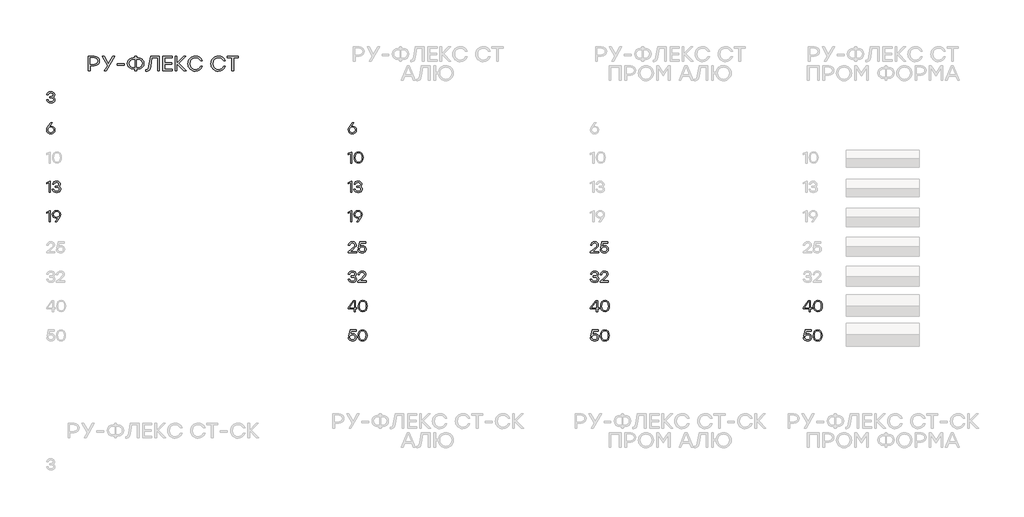
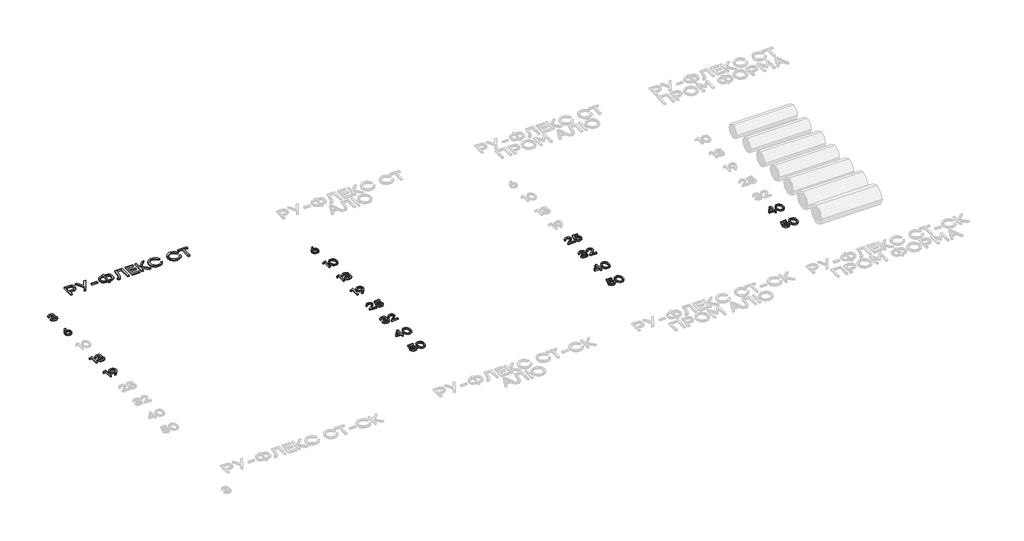
# One storey, part 27 of 41: 19 proxies.
"""IFC4 building model written with IfcOpenShell, lengths in millimetres."""

from ifc_helpers import new_model, si_unit, origin, origin_with_axes, place, context, project, spatial, polyline, outline, extrude, element, save

model = new_model("IFC4")

# Units and contexts
model_context = context("Model", 3, world=origin())
ifc_project = project(units=[si_unit("LENGTHUNIT", "METRE", prefix="MILLI")], contexts=[model_context])

# Site, building, storey
site = spatial("IfcSite", under=ifc_project)
building = spatial("IfcBuilding", under=site)
storey = spatial("IfcBuildingStorey", under=building, Elevation=0.0)

# Proxies
placement = place(None, origin())
element("IfcBuildingElementProxy", 1, Name="Generic Models", at=placement, inside=storey, context=model_context, shape_type="SweptSolid", body=[
    extrude(outline(polyline([(21490.5956427, -28646.0493279), (21510.2621824, -28649.3976823), (21526.8224173, -28659.4427456), (21538.0777292, -28675.2768314), (21541.8294998, -28695.9922531), (21537.8104659, -28717.5094645), (21525.7533643, -28734.5386707), (21507.6954468, -28745.6275734), (21485.6739651, -28749.3238744), (21463.8340208, -28745.6578297), (21445.8366157, -28734.6596956), (21433.7795141, -28717.4993791), (21429.7604802, -28695.3467872), (21432.3826855, -28677.5006631), (21440.2493013, -28659.5435997), (21482.0432194, -28599.9791981), (21484.3830333, -28596.9939183), (21505.1993091, -28596.9939183), (21462.5178754, -28653.9966269), (21476.5164175, -28648.0361526), (21490.5956427, -28646.0493279)]), holes=[polyline([(21485.6739651, -28732.4207357), (21500.7819017, -28729.8993845), (21513.1062665, -28722.3353308), (21521.3057008, -28710.7068589), (21524.0388455, -28695.9922531), (21521.3057008, -28681.1767932), (21513.1062665, -28669.7298586), (21500.8323287, -28662.4078547), (21485.8756732, -28659.9671867), (21470.5458577, -28662.4330682), (21458.3626886, -28669.8307127), (21450.4053041, -28681.3532878), (21447.7528426, -28696.1939612), (21450.4557311, -28711.0346345), (21458.5643967, -28722.5572097), (21470.7475658, -28729.9548542), (21485.6739651, -28732.4207357)])]), origin_with_axes(), (0.0, 0.0, 1.0), 20.0),
])
element("IfcBuildingElementProxy", 2, Name="Generic Models", at=placement, inside=storey, context=model_context, shape_type="SweptSolid", body=[
    extrude(outline(polyline([(21471.7561063, -29396.9939183), (21479.9051135, -29396.9939183), (21479.9051135, -29546.9840604), (21462.1144592, -29546.9840604), (21462.1144592, -29417.7698524), (21427.6223744, -29431.6877112), (21427.6223744, -29414.1391067), (21471.7561063, -29396.9939183)])), origin_with_axes(), (0.0, 0.0, 1.0), 20.0),
    extrude(outline(polyline([(21592.942332, -29467.9144858), (21604.1522596, -29473.3807752), (21612.5281884, -29481.6306365), (21617.7473854, -29492.2909095), (21619.4871178, -29504.9884343), (21615.7908169, -29523.2379745), (21604.7019141, -29537.3222425), (21587.6121955, -29546.3234664), (21565.9134468, -29549.3238744), (21544.5273456, -29546.4344058), (21526.6005383, -29537.7660003), (21513.6559211, -29523.5808783), (21507.2163901, -29504.1412603), (21525.2087525, -29504.1412603), (21530.0699176, -29516.5135308), (21538.4408037, -29525.3508668), (21550.3214107, -29530.6532685), (21565.7117387, -29532.4207357), (21580.6230099, -29530.4893806), (21591.9539623, -29524.6953155), (21599.1095571, -29515.5831522), (21601.4947554, -29503.6975024), (21599.4877598, -29492.9162046), (21593.466773, -29484.5352331), (21583.0989768, -29479.1496268), (21568.0515526, -29477.3544248), (21547.2756185, -29477.3544248), (21547.2756185, -29461.7018763), (21562.9281669, -29461.7018763), (21577.6478154, -29460.2546207), (21588.16185, -29455.9128539), (21594.4702708, -29448.6765758), (21596.5730778, -29438.5457866), (21594.2937762, -29427.4064568), (21587.4558717, -29418.8389054), (21576.8661965, -29413.3776586), (21563.3315831, -29411.557243), (21550.4928626, -29413.0851818), (21540.215835, -29417.6689984), (21532.5509273, -29425.7827067), (21527.5485664, -29437.9003207), (21509.556204, -29437.9003207), (21516.2276994, -29418.6977097), (21528.0931783, -29405.2236087), (21544.2449543, -29397.2662242), (21563.7753409, -29394.6137627), (21583.789827, -29397.5334874), (21600.1029695, -29406.2926616), (21610.9498225, -29419.6608659), (21614.5654402, -29436.4076807), (21608.9982966, -29455.690975), (21602.2007337, -29462.9222103), (21592.942332, -29467.9144858)])), origin_with_axes(), (0.0, 0.0, 1.0), 20.0),
])
element("IfcBuildingElementProxy", 3, Name="Generic Models", at=placement, inside=storey, context=model_context, shape_type="SweptSolid", body=[
    extrude(outline(polyline([(21471.7561063, -29796.9939183), (21479.9051135, -29796.9939183), (21479.9051135, -29946.9840604), (21462.1144592, -29946.9840604), (21462.1144592, -29817.7698524), (21427.6223744, -29831.6877112), (21427.6223744, -29814.1391067), (21471.7561063, -29796.9939183)])), origin_with_axes(), (0.0, 0.0, 1.0), 20.0),
    extrude(outline(polyline([(21563.3315831, -29794.6137627), (21585.2017837, -29798.2596366), (21603.2092742, -29809.1972582), (21615.2663758, -29826.3474893), (21619.2854097, -29848.6311915), (21616.6581617, -29866.4722728), (21608.7764177, -29884.4142082), (21567.0026705, -29943.9987805), (21564.6225149, -29946.9840604), (21543.8465808, -29946.9840604), (21586.4876728, -29889.9813517), (21572.5093016, -29895.9418261), (21558.4099055, -29897.9286508), (21538.7484086, -29894.5802964), (21522.2033018, -29884.5352331), (21510.963118, -29868.7011473), (21507.2163901, -29847.9857256), (21511.2354239, -29826.438258), (21523.2925255, -29809.3989663), (21541.3403577, -29798.3100636), (21563.3315831, -29794.6137627)]), holes=[polyline([(21563.129875, -29883.9704504), (21578.5151602, -29881.5096116), (21590.7840553, -29874.1270952), (21598.8170804, -29862.6196482), (21601.4947554, -29847.7840175), (21598.7616106, -29832.9433442), (21590.5621764, -29821.420769), (21578.2932813, -29814.0231245), (21563.3517539, -29811.557243), (21548.4102265, -29814.0735515), (21536.1413314, -29821.6224771), (21527.9418972, -29833.2459063), (21525.2087525, -29847.9857256), (21527.911641, -29862.7961427), (21536.0203066, -29874.2279492), (21548.2034757, -29881.5348251), (21563.129875, -29883.9704504)])]), origin_with_axes(), (0.0, 0.0, 1.0), 20.0),
])
element("IfcBuildingElementProxy", 4, Name="Generic Models", at=placement, inside=storey, context=model_context, shape_type="SweptSolid", body=[
    extrude(outline(polyline([(21515.4864221, -28247.9144858), (21526.6963497, -28253.3807752), (21535.0722785, -28261.6306365), (21540.2914755, -28272.2909095), (21542.0312079, -28284.9884343), (21538.334907, -28303.2379745), (21527.2460043, -28317.3222425), (21510.1562856, -28326.3234664), (21488.4575369, -28329.3238744), (21467.0714357, -28326.4344058), (21449.1446285, -28317.7660003), (21436.2000112, -28303.5808783), (21429.7604802, -28284.1412603), (21447.7528426, -28284.1412603), (21452.6140078, -28296.5135308), (21460.9848939, -28305.3508668), (21472.8655009, -28310.6532685), (21488.2558288, -28312.4207357), (21503.1671, -28310.4893806), (21514.4980524, -28304.6953155), (21521.6536472, -28295.5831522), (21524.0388455, -28283.6975024), (21522.0318499, -28272.9162046), (21516.0108632, -28264.5352331), (21505.6430669, -28259.1496268), (21490.5956427, -28257.3544248), (21469.8197086, -28257.3544248), (21469.8197086, -28241.7018763), (21485.472257, -28241.7018763), (21500.1919055, -28240.2546207), (21510.7059402, -28235.9128539), (21517.014361, -28228.6765758), (21519.1171679, -28218.5457866), (21516.8378664, -28207.4064568), (21509.9999618, -28198.8389054), (21499.4102867, -28193.3776586), (21485.8756732, -28191.557243), (21473.0369528, -28193.0851818), (21462.7599251, -28197.6689984), (21455.0950174, -28205.7827067), (21450.0926565, -28217.9003207), (21432.1002941, -28217.9003207), (21438.7717895, -28198.6977097), (21450.6372684, -28185.2236087), (21466.7890444, -28177.2662242), (21486.3194311, -28174.6137627), (21506.3339171, -28177.5334874), (21522.6470596, -28186.2926616), (21533.4939126, -28199.6608659), (21537.1095303, -28216.4076807), (21531.5423868, -28235.690975), (21524.7448238, -28242.9222103), (21515.4864221, -28247.9144858)])), origin_with_axes(), (0.0, 0.0, 1.0), 20.0),
])
element("IfcBuildingElementProxy", 5, Name="Generic Models", at=placement, inside=storey, context=model_context, shape_type="SweptSolid", body=[
    extrude(outline(polyline([(25599.0241406, -28646.0493279), (25618.6906803, -28649.3976823), (25635.2509151, -28659.4427456), (25646.5062271, -28675.2768314), (25650.2579977, -28695.9922531), (25646.2389638, -28717.5094645), (25634.1818622, -28734.5386707), (25616.1239447, -28745.6275734), (25594.102463, -28749.3238744), (25572.2625187, -28745.6578297), (25554.2651136, -28734.6596956), (25542.208012, -28717.4993791), (25538.1889781, -28695.3467872), (25540.8111834, -28677.5006631), (25548.6777992, -28659.5435997), (25590.4717173, -28599.9791981), (25592.8115312, -28596.9939183), (25613.627807, -28596.9939183), (25570.9463733, -28653.9966269), (25584.9449154, -28648.0361526), (25599.0241406, -28646.0493279)]), holes=[polyline([(25594.102463, -28732.4207357), (25609.2103996, -28729.8993845), (25621.5347644, -28722.3353308), (25629.7341987, -28710.7068589), (25632.4673434, -28695.9922531), (25629.7341987, -28681.1767932), (25621.5347644, -28669.7298586), (25609.2608266, -28662.4078547), (25594.3041711, -28659.9671867), (25578.9743556, -28662.4330682), (25566.7911865, -28669.8307127), (25558.833802, -28681.3532878), (25556.1813405, -28696.1939612), (25558.884229, -28711.0346345), (25566.9928946, -28722.5572097), (25579.1760637, -28729.9548542), (25594.102463, -28732.4207357)])]), origin_with_axes(), (0.0, 0.0, 1.0), 20.0),
])
element("IfcBuildingElementProxy", 6, Name="Generic Models", at=placement, inside=storey, context=model_context, shape_type="SweptSolid", body=[
    extrude(outline(polyline([(25580.1846042, -28996.9939183), (25588.3336114, -28996.9939183), (25588.3336114, -29146.9840604), (25570.5429571, -29146.9840604), (25570.5429571, -29017.7698524), (25536.0508722, -29031.6877112), (25536.0508722, -29014.1391067), (25580.1846042, -28996.9939183)])), origin_with_axes(), (0.0, 0.0, 1.0), 20.0),
    extrude(outline(polyline([(25679.0619142, -28994.6137627), (25704.5679032, -28999.676636), (25723.639404, -29014.8652558), (25735.5300964, -29039.266893), (25739.4936605, -29071.9688185), (25735.5300964, -29104.670744), (25723.639404, -29129.0723813), (25704.5679032, -29144.2610011), (25679.0619142, -29149.3238744), (25653.7072062, -29144.2912573), (25634.6054492, -29129.1934061), (25622.6239882, -29104.8270678), (25618.6301678, -29071.9889893), (25622.6239882, -29039.1458682), (25634.6054492, -29014.7644018), (25653.7072062, -28999.6514225), (25679.0619142, -28994.6137627)]), holes=[polyline([(25647.8778421, -29117.7363861), (25661.3015161, -29128.7496483), (25679.0619142, -29132.4207357), (25696.8223123, -29128.7496483), (25710.2459862, -29117.7363861), (25718.6874701, -29098.9573621), (25721.5012981, -29071.9889893), (25718.6874701, -29045.0206166), (25710.2459862, -29026.2415926), (25696.8223123, -29015.2283304), (25679.0619142, -29011.557243), (25661.3015161, -29015.2283304), (25647.8778421, -29026.2415926), (25639.4363582, -29045.0206166), (25636.6225302, -29071.9889893), (25639.4363582, -29098.9573621), (25647.8778421, -29117.7363861)])]), origin_with_axes(), (0.0, 0.0, 1.0), 20.0),
])
element("IfcBuildingElementProxy", 7, Name="Generic Models", at=placement, inside=storey, context=model_context, shape_type="SweptSolid", body=[
    extrude(outline(polyline([(25580.1846042, -29396.9939183), (25588.3336114, -29396.9939183), (25588.3336114, -29546.9840604), (25570.5429571, -29546.9840604), (25570.5429571, -29417.7698524), (25536.0508722, -29431.6877112), (25536.0508722, -29414.1391067), (25580.1846042, -29396.9939183)])), origin_with_axes(), (0.0, 0.0, 1.0), 20.0),
    extrude(outline(polyline([(25701.3708299, -29467.9144858), (25712.5807575, -29473.3807752), (25720.9566862, -29481.6306365), (25726.1758833, -29492.2909095), (25727.9156157, -29504.9884343), (25724.2193147, -29523.2379745), (25713.130412, -29537.3222425), (25696.0406934, -29546.3234664), (25674.3419447, -29549.3238744), (25652.9558435, -29546.4344058), (25635.0290362, -29537.7660003), (25622.084419, -29523.5808783), (25615.644888, -29504.1412603), (25633.6372504, -29504.1412603), (25638.4984155, -29516.5135308), (25646.8693016, -29525.3508668), (25658.7499086, -29530.6532685), (25674.1402366, -29532.4207357), (25689.0515078, -29530.4893806), (25700.3824602, -29524.6953155), (25707.538055, -29515.5831522), (25709.9232533, -29503.6975024), (25707.9162577, -29492.9162046), (25701.8952709, -29484.5352331), (25691.5274747, -29479.1496268), (25676.4800505, -29477.3544248), (25655.7041163, -29477.3544248), (25655.7041163, -29461.7018763), (25671.3566648, -29461.7018763), (25686.0763133, -29460.2546207), (25696.5903479, -29455.9128539), (25702.8987687, -29448.6765758), (25705.0015756, -29438.5457866), (25702.7222741, -29427.4064568), (25695.8843696, -29418.8389054), (25685.2946944, -29413.3776586), (25671.760081, -29411.557243), (25658.9213605, -29413.0851818), (25648.6443329, -29417.6689984), (25640.9794251, -29425.7827067), (25635.9770643, -29437.9003207), (25617.9847019, -29437.9003207), (25624.6561973, -29418.6977097), (25636.5216762, -29405.2236087), (25652.6734522, -29397.2662242), (25672.2038388, -29394.6137627), (25692.2183249, -29397.5334874), (25708.5314674, -29406.2926616), (25719.3783204, -29419.6608659), (25722.993938, -29436.4076807), (25717.4267945, -29455.690975), (25710.6292316, -29462.9222103), (25701.3708299, -29467.9144858)])), origin_with_axes(), (0.0, 0.0, 1.0), 20.0),
])
element("IfcBuildingElementProxy", 8, Name="Generic Models", at=placement, inside=storey, context=model_context, shape_type="SweptSolid", body=[
    extrude(outline(polyline([(25580.1846042, -29796.9939183), (25588.3336114, -29796.9939183), (25588.3336114, -29946.9840604), (25570.5429571, -29946.9840604), (25570.5429571, -29817.7698524), (25536.0508722, -29831.6877112), (25536.0508722, -29814.1391067), (25580.1846042, -29796.9939183)])), origin_with_axes(), (0.0, 0.0, 1.0), 20.0),
    extrude(outline(polyline([(25671.760081, -29794.6137627), (25693.6302816, -29798.2596366), (25711.6377721, -29809.1972582), (25723.6948737, -29826.3474893), (25727.7139076, -29848.6311915), (25725.0866596, -29866.4722728), (25717.2049156, -29884.4142082), (25675.4311684, -29943.9987805), (25673.0510128, -29946.9840604), (25652.2750787, -29946.9840604), (25694.9161707, -29889.9813517), (25680.9377995, -29895.9418261), (25666.8384034, -29897.9286508), (25647.1769065, -29894.5802964), (25630.6317997, -29884.5352331), (25619.3916159, -29868.7011473), (25615.644888, -29847.9857256), (25619.6639218, -29826.438258), (25631.7210234, -29809.3989663), (25649.7688555, -29798.3100636), (25671.760081, -29794.6137627)]), holes=[polyline([(25671.5583729, -29883.9704504), (25686.9436581, -29881.5096116), (25699.2125532, -29874.1270952), (25707.2455782, -29862.6196482), (25709.9232533, -29847.7840175), (25707.1901085, -29832.9433442), (25698.9906743, -29821.420769), (25686.7217792, -29814.0231245), (25671.7802518, -29811.557243), (25656.8387244, -29814.0735515), (25644.5698293, -29821.6224771), (25636.3703951, -29833.2459063), (25633.6372504, -29847.9857256), (25636.3401389, -29862.7961427), (25644.4488044, -29874.2279492), (25656.6319736, -29881.5348251), (25671.5583729, -29883.9704504)])]), origin_with_axes(), (0.0, 0.0, 1.0), 20.0),
])
element("IfcBuildingElementProxy", 9, Name="Generic Models", at=placement, inside=storey, context=model_context, shape_type="SweptSolid", body=[
    extrude(outline(polyline([(25650.7017555, -30353.838872), (25650.7017555, -30370.9840604), (25538.1889781, -30370.9840604), (25538.1889781, -30358.1150837), (25581.6772442, -30320.1939612), (25620.3648575, -30284.2092364), (25626.7186626, -30274.2448563), (25628.8365976, -30263.6350103), (25626.5320826, -30252.3595276), (25619.6185375, -30243.3835172), (25608.847325, -30237.5138116), (25594.9698079, -30235.557243), (25581.0368209, -30237.6197083), (25570.0991993, -30243.8071042), (25562.222498, -30253.7462708), (25557.4722723, -30267.064048), (25539.4799099, -30267.064048), (25545.6773913, -30247.06469), (25557.8958593, -30231.6844475), (25574.9956634, -30221.8814339), (25595.8371527, -30218.6137627), (25616.3811225, -30221.7755372), (25632.5883682, -30231.2608605), (25643.117531, -30245.5165804), (25646.6272519, -30262.9895444), (25644.0806872, -30277.6285097), (25636.4409929, -30290.724408), (25596.2405689, -30328.9884343), (25567.5173356, -30353.838872), (25650.7017555, -30353.838872)])), origin_with_axes(), (0.0, 0.0, 1.0), 20.0),
    extrude(outline(polyline([(25731.7884111, -30271.9857256), (25751.6768297, -30275.3592936), (25768.0958689, -30285.4799974), (25779.1091311, -30301.1779302), (25782.7802185, -30321.2831849), (25778.8721241, -30341.9834785), (25767.1478408, -30358.6596956), (25749.5841081, -30369.6578297), (25728.1576654, -30373.3238744), (25707.2001939, -30370.2730394), (25689.3490272, -30361.1205344), (25676.3287694, -30346.3908005), (25669.8640249, -30326.6082787), (25687.8563873, -30326.6082787), (25693.0049865, -30339.3108462), (25701.996125, -30348.6953155), (25713.9927141, -30354.4893806), (25728.1576654, -30356.4207357), (25742.6453496, -30353.8993845), (25754.399889, -30346.3353308), (25762.1908643, -30335.0295918), (25764.7878561, -30321.2831849), (25762.2160778, -30307.3401126), (25754.500743, -30296.4125764), (25742.8218441, -30289.3477502), (25728.3593735, -30286.9928081), (25707.3615604, -30291.8640587), (25692.7780649, -30306.4778105), (25675.6328765, -30306.4778105), (25693.8672886, -30220.9939183), (25775.720435, -30220.9939183), (25775.720435, -30237.8970569), (25707.3413896, -30237.8970569), (25697.4980344, -30284.6126526), (25712.9287039, -30275.1424574), (25731.7884111, -30271.9857256)])), origin_with_axes(), (0.0, 0.0, 1.0), 20.0),
])
element("IfcBuildingElementProxy", 10, Name="Generic Models", at=placement, inside=storey, context=model_context, shape_type="SweptSolid", body=[
    extrude(outline(polyline([(25623.91492, -30691.9144858), (25635.1248476, -30697.3807752), (25643.5007764, -30705.6306365), (25648.7199734, -30716.2909095), (25650.4597058, -30728.9884343), (25646.7634049, -30747.2379745), (25635.6745022, -30761.3222425), (25618.5847835, -30770.3234664), (25596.8860348, -30773.3238744), (25575.4999336, -30770.4344058), (25557.5731264, -30761.7660003), (25544.6285091, -30747.5808783), (25538.1889781, -30728.1412603), (25556.1813405, -30728.1412603), (25561.0425057, -30740.5135308), (25569.4133918, -30749.3508668), (25581.2939988, -30754.6532685), (25596.6843267, -30756.4207357), (25611.5955979, -30754.4893806), (25622.9265503, -30748.6953155), (25630.0821451, -30739.5831522), (25632.4673434, -30727.6975024), (25630.4603478, -30716.9162046), (25624.4393611, -30708.5352331), (25614.0715648, -30703.1496268), (25599.0241406, -30701.3544248), (25578.2482065, -30701.3544248), (25578.2482065, -30685.7018763), (25593.9007549, -30685.7018763), (25608.6204034, -30684.2546207), (25619.1344381, -30679.9128539), (25625.4428589, -30672.6765758), (25627.5456658, -30662.5457866), (25625.2663643, -30651.4064568), (25618.4284597, -30642.8389054), (25607.8387845, -30637.3776586), (25594.3041711, -30635.557243), (25581.4654507, -30637.0851818), (25571.188423, -30641.6689984), (25563.5235153, -30649.7827067), (25558.5211544, -30661.9003207), (25540.528792, -30661.9003207), (25547.2002874, -30642.6977097), (25559.0657663, -30629.2236087), (25575.2175423, -30621.2662242), (25594.7479289, -30618.6137627), (25614.762415, -30621.5334874), (25631.0755575, -30630.2926616), (25641.9224105, -30643.6608659), (25645.5380282, -30660.4076807), (25639.9708847, -30679.690975), (25633.1733217, -30686.9222103), (25623.91492, -30691.9144858)])), origin_with_axes(), (0.0, 0.0, 1.0), 20.0),
    extrude(outline(polyline([(25782.3768023, -30753.838872), (25782.3768023, -30770.9840604), (25669.8640249, -30770.9840604), (25669.8640249, -30758.1150837), (25713.3522909, -30720.1939612), (25752.0399042, -30684.2092364), (25758.3937094, -30674.2448563), (25760.5116444, -30663.6350103), (25758.2071294, -30652.3595276), (25751.2935843, -30643.3835172), (25740.5223718, -30637.5138116), (25726.6448546, -30635.557243), (25712.7118677, -30637.6197083), (25701.7742461, -30643.8071042), (25693.8975448, -30653.7462708), (25689.1473191, -30667.064048), (25671.1549567, -30667.064048), (25677.352438, -30647.06469), (25689.5709061, -30631.6844475), (25706.6707102, -30621.8814339), (25727.5121995, -30618.6137627), (25748.0561693, -30621.7755372), (25764.263415, -30631.2608605), (25774.7925778, -30645.5165804), (25778.3022987, -30662.9895444), (25775.7557339, -30677.6285097), (25768.1160397, -30690.724408), (25727.9156157, -30728.9884343), (25699.1923824, -30753.838872), (25782.3768023, -30753.838872)])), origin_with_axes(), (0.0, 0.0, 1.0), 20.0),
])
element("IfcBuildingElementProxy", 11, Name="Generic Models", at=placement, inside=storey, context=model_context, shape_type="SweptSolid", body=[
    extrude(outline(polyline([(25656.268899, -31118.2575634), (25656.268899, -31134.9993356), (25634.202033, -31134.9993356), (25634.202033, -31170.9840604), (25616.4113787, -31170.9840604), (25616.4113787, -31134.9993356), (25536.0508722, -31134.9993356), (25536.0508722, -31118.2575634), (25607.6169056, -31020.9939183), (25634.202033, -31020.9939183), (25634.202033, -31118.2575634), (25656.268899, -31118.2575634)]), holes=[polyline([(25555.7375827, -31118.0558553), (25616.4113787, -31118.0558553), (25616.4113787, -31037.6953488), (25614.6766891, -31037.6953488), (25555.7375827, -31118.0558553)])]), origin_with_axes(), (0.0, 0.0, 1.0), 20.0),
    extrude(outline(polyline([(25735.8629147, -31018.6137627), (25761.3689038, -31023.676636), (25780.4404045, -31038.8652558), (25792.3310969, -31063.266893), (25796.2946611, -31095.9688185), (25792.3310969, -31128.670744), (25780.4404045, -31153.0723813), (25761.3689038, -31168.2610011), (25735.8629147, -31173.3238744), (25710.5082067, -31168.2912573), (25691.4064498, -31153.1934061), (25679.4249887, -31128.8270678), (25675.4311684, -31095.9889893), (25679.4249887, -31063.1458682), (25691.4064498, -31038.7644018), (25710.5082067, -31023.6514225), (25735.8629147, -31018.6137627)]), holes=[polyline([(25704.6788427, -31141.7363861), (25718.1025167, -31152.7496483), (25735.8629147, -31156.4207357), (25753.6233128, -31152.7496483), (25767.0469868, -31141.7363861), (25775.4884707, -31122.9573621), (25778.3022987, -31095.9889893), (25775.4884707, -31069.0206166), (25767.0469868, -31050.2415926), (25753.6233128, -31039.2283304), (25735.8629147, -31035.557243), (25718.1025167, -31039.2283304), (25704.6788427, -31050.2415926), (25696.2373588, -31069.0206166), (25693.4235308, -31095.9889893), (25696.2373588, -31122.9573621), (25704.6788427, -31141.7363861)])]), origin_with_axes(), (0.0, 0.0, 1.0), 20.0),
])
element("IfcBuildingElementProxy", 12, Name="Generic Models", at=placement, inside=storey, context=model_context, shape_type="SweptSolid", body=[
    extrude(outline(polyline([(25600.1133644, -31471.9857256), (25620.0017829, -31475.3592936), (25636.4208221, -31485.4799974), (25647.4340843, -31501.1779302), (25651.1051717, -31521.2831849), (25647.1970773, -31541.9834785), (25635.4727941, -31558.6596956), (25617.9090614, -31569.6578297), (25596.4826186, -31573.3238744), (25575.5251471, -31570.2730394), (25557.6739804, -31561.1205344), (25544.6537227, -31546.3908005), (25538.1889781, -31526.6082787), (25556.1813405, -31526.6082787), (25561.3299397, -31539.3108462), (25570.3210782, -31548.6953155), (25582.3176674, -31554.4893806), (25596.4826186, -31556.4207357), (25610.9703028, -31553.8993845), (25622.7248422, -31546.3353308), (25630.5158175, -31535.0295918), (25633.1128093, -31521.2831849), (25630.541031, -31507.3401126), (25622.8256963, -31496.4125764), (25611.1467974, -31489.3477502), (25596.6843267, -31486.9928081), (25575.6865136, -31491.8640587), (25561.1030181, -31506.4778105), (25543.9578297, -31506.4778105), (25562.1922418, -31420.9939183), (25644.0453882, -31420.9939183), (25644.0453882, -31437.8970569), (25575.6663428, -31437.8970569), (25565.8229876, -31484.6126526), (25581.2536571, -31475.1424574), (25600.1133644, -31471.9857256)])), origin_with_axes(), (0.0, 0.0, 1.0), 20.0),
    extrude(outline(polyline([(25733.2810511, -31418.6137627), (25758.7870401, -31423.676636), (25777.8585409, -31438.8652558), (25789.7492333, -31463.266893), (25793.7127974, -31495.9688185), (25789.7492333, -31528.670744), (25777.8585409, -31553.0723813), (25758.7870401, -31568.2610011), (25733.2810511, -31573.3238744), (25707.9263431, -31568.2912573), (25688.8245861, -31553.1934061), (25676.8431251, -31528.8270678), (25672.8493047, -31495.9889893), (25676.8431251, -31463.1458682), (25688.8245861, -31438.7644018), (25707.9263431, -31423.6514225), (25733.2810511, -31418.6137627)]), holes=[polyline([(25702.096979, -31541.7363861), (25715.520653, -31552.7496483), (25733.2810511, -31556.4207357), (25751.0414492, -31552.7496483), (25764.4651231, -31541.7363861), (25772.906607, -31522.9573621), (25775.720435, -31495.9889893), (25772.906607, -31469.0206166), (25764.4651231, -31450.2415926), (25751.0414492, -31439.2283304), (25733.2810511, -31435.557243), (25715.520653, -31439.2283304), (25702.096979, -31450.2415926), (25693.6554951, -31469.0206166), (25690.8416671, -31495.9889893), (25693.6554951, -31522.9573621), (25702.096979, -31541.7363861)])]), origin_with_axes(), (0.0, 0.0, 1.0), 20.0),
])
element("IfcBuildingElementProxy", 13, Name="Generic Models", at=placement, inside=storey, context=model_context, shape_type="SweptSolid", body=[
    extrude(outline(polyline([(28950.7017555, -30353.838872), (28950.7017555, -30370.9840604), (28838.1889781, -30370.9840604), (28838.1889781, -30358.1150837), (28881.6772442, -30320.1939612), (28920.3648575, -30284.2092364), (28926.7186626, -30274.2448563), (28928.8365976, -30263.6350103), (28926.5320826, -30252.3595276), (28919.6185375, -30243.3835172), (28908.847325, -30237.5138116), (28894.9698079, -30235.557243), (28881.0368209, -30237.6197083), (28870.0991993, -30243.8071042), (28862.222498, -30253.7462708), (28857.4722723, -30267.064048), (28839.4799099, -30267.064048), (28845.6773913, -30247.06469), (28857.8958593, -30231.6844475), (28874.9956634, -30221.8814339), (28895.8371527, -30218.6137627), (28916.3811225, -30221.7755372), (28932.5883682, -30231.2608605), (28943.117531, -30245.5165804), (28946.6272519, -30262.9895444), (28944.0806872, -30277.6285097), (28936.4409929, -30290.724408), (28896.2405689, -30328.9884343), (28867.5173356, -30353.838872), (28950.7017555, -30353.838872)])), origin_with_axes(), (0.0, 0.0, 1.0), 20.0),
    extrude(outline(polyline([(29031.7884111, -30271.9857256), (29051.6768297, -30275.3592936), (29068.0958689, -30285.4799974), (29079.1091311, -30301.1779302), (29082.7802185, -30321.2831849), (29078.8721241, -30341.9834785), (29067.1478408, -30358.6596956), (29049.5841081, -30369.6578297), (29028.1576654, -30373.3238744), (29007.2001939, -30370.2730394), (28989.3490272, -30361.1205344), (28976.3287694, -30346.3908005), (28969.8640249, -30326.6082787), (28987.8563873, -30326.6082787), (28993.0049865, -30339.3108462), (29001.996125, -30348.6953155), (29013.9927141, -30354.4893806), (29028.1576654, -30356.4207357), (29042.6453496, -30353.8993845), (29054.399889, -30346.3353308), (29062.1908643, -30335.0295918), (29064.7878561, -30321.2831849), (29062.2160778, -30307.3401126), (29054.500743, -30296.4125764), (29042.8218441, -30289.3477502), (29028.3593735, -30286.9928081), (29007.3615604, -30291.8640587), (28992.7780649, -30306.4778105), (28975.6328765, -30306.4778105), (28993.8672886, -30220.9939183), (29075.720435, -30220.9939183), (29075.720435, -30237.8970569), (29007.3413896, -30237.8970569), (28997.4980344, -30284.6126526), (29012.9287039, -30275.1424574), (29031.7884111, -30271.9857256)])), origin_with_axes(), (0.0, 0.0, 1.0), 20.0),
])
element("IfcBuildingElementProxy", 14, Name="Generic Models", at=placement, inside=storey, context=model_context, shape_type="SweptSolid", body=[
    extrude(outline(polyline([(28923.91492, -30691.9144858), (28935.1248476, -30697.3807752), (28943.5007764, -30705.6306365), (28948.7199734, -30716.2909095), (28950.4597058, -30728.9884343), (28946.7634049, -30747.2379745), (28935.6745022, -30761.3222425), (28918.5847835, -30770.3234664), (28896.8860348, -30773.3238744), (28875.4999336, -30770.4344058), (28857.5731264, -30761.7660003), (28844.6285091, -30747.5808783), (28838.1889781, -30728.1412603), (28856.1813405, -30728.1412603), (28861.0425057, -30740.5135308), (28869.4133918, -30749.3508668), (28881.2939988, -30754.6532685), (28896.6843267, -30756.4207357), (28911.5955979, -30754.4893806), (28922.9265503, -30748.6953155), (28930.0821451, -30739.5831522), (28932.4673434, -30727.6975024), (28930.4603478, -30716.9162046), (28924.4393611, -30708.5352331), (28914.0715648, -30703.1496268), (28899.0241406, -30701.3544248), (28878.2482065, -30701.3544248), (28878.2482065, -30685.7018763), (28893.9007549, -30685.7018763), (28908.6204034, -30684.2546207), (28919.1344381, -30679.9128539), (28925.4428589, -30672.6765758), (28927.5456658, -30662.5457866), (28925.2663643, -30651.4064568), (28918.4284597, -30642.8389054), (28907.8387845, -30637.3776586), (28894.3041711, -30635.557243), (28881.4654507, -30637.0851818), (28871.188423, -30641.6689984), (28863.5235153, -30649.7827067), (28858.5211544, -30661.9003207), (28840.528792, -30661.9003207), (28847.2002874, -30642.6977097), (28859.0657663, -30629.2236087), (28875.2175423, -30621.2662242), (28894.7479289, -30618.6137627), (28914.762415, -30621.5334874), (28931.0755575, -30630.2926616), (28941.9224105, -30643.6608659), (28945.5380282, -30660.4076807), (28939.9708847, -30679.690975), (28933.1733217, -30686.9222103), (28923.91492, -30691.9144858)])), origin_with_axes(), (0.0, 0.0, 1.0), 20.0),
    extrude(outline(polyline([(29082.3768023, -30753.838872), (29082.3768023, -30770.9840604), (28969.8640249, -30770.9840604), (28969.8640249, -30758.1150837), (29013.3522909, -30720.1939612), (29052.0399042, -30684.2092364), (29058.3937094, -30674.2448563), (29060.5116444, -30663.6350103), (29058.2071294, -30652.3595276), (29051.2935843, -30643.3835172), (29040.5223718, -30637.5138116), (29026.6448546, -30635.557243), (29012.7118677, -30637.6197083), (29001.7742461, -30643.8071042), (28993.8975448, -30653.7462708), (28989.1473191, -30667.064048), (28971.1549567, -30667.064048), (28977.352438, -30647.06469), (28989.5709061, -30631.6844475), (29006.6707102, -30621.8814339), (29027.5121995, -30618.6137627), (29048.0561693, -30621.7755372), (29064.263415, -30631.2608605), (29074.7925778, -30645.5165804), (29078.3022987, -30662.9895444), (29075.7557339, -30677.6285097), (29068.1160397, -30690.724408), (29027.9156157, -30728.9884343), (28999.1923824, -30753.838872), (29082.3768023, -30753.838872)])), origin_with_axes(), (0.0, 0.0, 1.0), 20.0),
])
element("IfcBuildingElementProxy", 15, Name="Generic Models", at=placement, inside=storey, context=model_context, shape_type="SweptSolid", body=[
    extrude(outline(polyline([(28956.268899, -31118.2575634), (28956.268899, -31134.9993356), (28934.202033, -31134.9993356), (28934.202033, -31170.9840604), (28916.4113787, -31170.9840604), (28916.4113787, -31134.9993356), (28836.0508722, -31134.9993356), (28836.0508722, -31118.2575634), (28907.6169056, -31020.9939183), (28934.202033, -31020.9939183), (28934.202033, -31118.2575634), (28956.268899, -31118.2575634)]), holes=[polyline([(28855.7375827, -31118.0558553), (28916.4113787, -31118.0558553), (28916.4113787, -31037.6953488), (28914.6766891, -31037.6953488), (28855.7375827, -31118.0558553)])]), origin_with_axes(), (0.0, 0.0, 1.0), 20.0),
    extrude(outline(polyline([(29035.8629147, -31018.6137627), (29061.3689038, -31023.676636), (29080.4404045, -31038.8652558), (29092.3310969, -31063.266893), (29096.2946611, -31095.9688185), (29092.3310969, -31128.670744), (29080.4404045, -31153.0723813), (29061.3689038, -31168.2610011), (29035.8629147, -31173.3238744), (29010.5082067, -31168.2912573), (28991.4064498, -31153.1934061), (28979.4249887, -31128.8270678), (28975.4311684, -31095.9889893), (28979.4249887, -31063.1458682), (28991.4064498, -31038.7644018), (29010.5082067, -31023.6514225), (29035.8629147, -31018.6137627)]), holes=[polyline([(29004.6788427, -31141.7363861), (29018.1025167, -31152.7496483), (29035.8629147, -31156.4207357), (29053.6233128, -31152.7496483), (29067.0469868, -31141.7363861), (29075.4884707, -31122.9573621), (29078.3022987, -31095.9889893), (29075.4884707, -31069.0206166), (29067.0469868, -31050.2415926), (29053.6233128, -31039.2283304), (29035.8629147, -31035.557243), (29018.1025167, -31039.2283304), (29004.6788427, -31050.2415926), (28996.2373588, -31069.0206166), (28993.4235308, -31095.9889893), (28996.2373588, -31122.9573621), (29004.6788427, -31141.7363861)])]), origin_with_axes(), (0.0, 0.0, 1.0), 20.0),
])
element("IfcBuildingElementProxy", 16, Name="Generic Models", at=placement, inside=storey, context=model_context, shape_type="SweptSolid", body=[
    extrude(outline(polyline([(28900.1133644, -31471.9857256), (28920.0017829, -31475.3592936), (28936.4208221, -31485.4799974), (28947.4340843, -31501.1779302), (28951.1051717, -31521.2831849), (28947.1970773, -31541.9834785), (28935.4727941, -31558.6596956), (28917.9090614, -31569.6578297), (28896.4826186, -31573.3238744), (28875.5251471, -31570.2730394), (28857.6739804, -31561.1205344), (28844.6537227, -31546.3908005), (28838.1889781, -31526.6082787), (28856.1813405, -31526.6082787), (28861.3299397, -31539.3108462), (28870.3210782, -31548.6953155), (28882.3176674, -31554.4893806), (28896.4826186, -31556.4207357), (28910.9703028, -31553.8993845), (28922.7248422, -31546.3353308), (28930.5158175, -31535.0295918), (28933.1128093, -31521.2831849), (28930.541031, -31507.3401126), (28922.8256963, -31496.4125764), (28911.1467974, -31489.3477502), (28896.6843267, -31486.9928081), (28875.6865136, -31491.8640587), (28861.1030181, -31506.4778105), (28843.9578297, -31506.4778105), (28862.1922418, -31420.9939183), (28944.0453882, -31420.9939183), (28944.0453882, -31437.8970569), (28875.6663428, -31437.8970569), (28865.8229876, -31484.6126526), (28881.2536571, -31475.1424574), (28900.1133644, -31471.9857256)])), origin_with_axes(), (0.0, 0.0, 1.0), 20.0),
    extrude(outline(polyline([(29033.2810511, -31418.6137627), (29058.7870401, -31423.676636), (29077.8585409, -31438.8652558), (29089.7492333, -31463.266893), (29093.7127974, -31495.9688185), (29089.7492333, -31528.670744), (29077.8585409, -31553.0723813), (29058.7870401, -31568.2610011), (29033.2810511, -31573.3238744), (29007.9263431, -31568.2912573), (28988.8245861, -31553.1934061), (28976.8431251, -31528.8270678), (28972.8493047, -31495.9889893), (28976.8431251, -31463.1458682), (28988.8245861, -31438.7644018), (29007.9263431, -31423.6514225), (29033.2810511, -31418.6137627)]), holes=[polyline([(29002.096979, -31541.7363861), (29015.520653, -31552.7496483), (29033.2810511, -31556.4207357), (29051.0414492, -31552.7496483), (29064.4651231, -31541.7363861), (29072.906607, -31522.9573621), (29075.720435, -31495.9889893), (29072.906607, -31469.0206166), (29064.4651231, -31450.2415926), (29051.0414492, -31439.2283304), (29033.2810511, -31435.557243), (29015.520653, -31439.2283304), (29002.096979, -31450.2415926), (28993.6554951, -31469.0206166), (28990.8416671, -31495.9889893), (28993.6554951, -31522.9573621), (29002.096979, -31541.7363861)])]), origin_with_axes(), (0.0, 0.0, 1.0), 20.0),
])
element("IfcBuildingElementProxy", 17, Name="Generic Models", at=placement, inside=storey, context=model_context, shape_type="SweptSolid", body=[
    extrude(outline(polyline([(31856.268899, -31118.2575634), (31856.268899, -31134.9993356), (31834.202033, -31134.9993356), (31834.202033, -31170.9840604), (31816.4113787, -31170.9840604), (31816.4113787, -31134.9993356), (31736.0508722, -31134.9993356), (31736.0508722, -31118.2575634), (31807.6169056, -31020.9939183), (31834.202033, -31020.9939183), (31834.202033, -31118.2575634), (31856.268899, -31118.2575634)]), holes=[polyline([(31755.7375827, -31118.0558553), (31816.4113787, -31118.0558553), (31816.4113787, -31037.6953488), (31814.6766891, -31037.6953488), (31755.7375827, -31118.0558553)])]), origin_with_axes(), (0.0, 0.0, 1.0), 20.0),
    extrude(outline(polyline([(31935.8629147, -31018.6137627), (31961.3689038, -31023.676636), (31980.4404045, -31038.8652558), (31992.3310969, -31063.266893), (31996.2946611, -31095.9688185), (31992.3310969, -31128.670744), (31980.4404045, -31153.0723813), (31961.3689038, -31168.2610011), (31935.8629147, -31173.3238744), (31910.5082067, -31168.2912573), (31891.4064498, -31153.1934061), (31879.4249887, -31128.8270678), (31875.4311684, -31095.9889893), (31879.4249887, -31063.1458682), (31891.4064498, -31038.7644018), (31910.5082067, -31023.6514225), (31935.8629147, -31018.6137627)]), holes=[polyline([(31904.6788427, -31141.7363861), (31918.1025167, -31152.7496483), (31935.8629147, -31156.4207357), (31953.6233128, -31152.7496483), (31967.0469868, -31141.7363861), (31975.4884707, -31122.9573621), (31978.3022987, -31095.9889893), (31975.4884707, -31069.0206166), (31967.0469868, -31050.2415926), (31953.6233128, -31039.2283304), (31935.8629147, -31035.557243), (31918.1025167, -31039.2283304), (31904.6788427, -31050.2415926), (31896.2373588, -31069.0206166), (31893.4235308, -31095.9889893), (31896.2373588, -31122.9573621), (31904.6788427, -31141.7363861)])]), origin_with_axes(), (0.0, 0.0, 1.0), 20.0),
])
element("IfcBuildingElementProxy", 18, Name="Generic Models", at=placement, inside=storey, context=model_context, shape_type="SweptSolid", body=[
    extrude(outline(polyline([(31800.1133644, -31471.9857256), (31820.0017829, -31475.3592936), (31836.4208221, -31485.4799974), (31847.4340843, -31501.1779302), (31851.1051717, -31521.2831849), (31847.1970773, -31541.9834785), (31835.4727941, -31558.6596956), (31817.9090614, -31569.6578297), (31796.4826186, -31573.3238744), (31775.5251471, -31570.2730394), (31757.6739804, -31561.1205344), (31744.6537227, -31546.3908005), (31738.1889781, -31526.6082787), (31756.1813405, -31526.6082787), (31761.3299397, -31539.3108462), (31770.3210782, -31548.6953155), (31782.3176674, -31554.4893806), (31796.4826186, -31556.4207357), (31810.9703028, -31553.8993845), (31822.7248422, -31546.3353308), (31830.5158175, -31535.0295918), (31833.1128093, -31521.2831849), (31830.541031, -31507.3401126), (31822.8256963, -31496.4125764), (31811.1467974, -31489.3477502), (31796.6843267, -31486.9928081), (31775.6865136, -31491.8640587), (31761.1030181, -31506.4778105), (31743.9578297, -31506.4778105), (31762.1922418, -31420.9939183), (31844.0453882, -31420.9939183), (31844.0453882, -31437.8970569), (31775.6663428, -31437.8970569), (31765.8229876, -31484.6126526), (31781.2536571, -31475.1424574), (31800.1133644, -31471.9857256)])), origin_with_axes(), (0.0, 0.0, 1.0), 20.0),
    extrude(outline(polyline([(31933.2810511, -31418.6137627), (31958.7870401, -31423.676636), (31977.8585409, -31438.8652558), (31989.7492333, -31463.266893), (31993.7127974, -31495.9688185), (31989.7492333, -31528.670744), (31977.8585409, -31553.0723813), (31958.7870401, -31568.2610011), (31933.2810511, -31573.3238744), (31907.9263431, -31568.2912573), (31888.8245861, -31553.1934061), (31876.8431251, -31528.8270678), (31872.8493047, -31495.9889893), (31876.8431251, -31463.1458682), (31888.8245861, -31438.7644018), (31907.9263431, -31423.6514225), (31933.2810511, -31418.6137627)]), holes=[polyline([(31902.096979, -31541.7363861), (31915.520653, -31552.7496483), (31933.2810511, -31556.4207357), (31951.0414492, -31552.7496483), (31964.4651231, -31541.7363861), (31972.906607, -31522.9573621), (31975.720435, -31495.9889893), (31972.906607, -31469.0206166), (31964.4651231, -31450.2415926), (31951.0414492, -31439.2283304), (31933.2810511, -31435.557243), (31915.520653, -31439.2283304), (31902.096979, -31450.2415926), (31893.6554951, -31469.0206166), (31890.8416671, -31495.9889893), (31893.6554951, -31522.9573621), (31902.096979, -31541.7363861)])]), origin_with_axes(), (0.0, 0.0, 1.0), 20.0),
])
element("IfcBuildingElementProxy", 19, Name="Generic Models", at=placement, inside=storey, context=model_context, shape_type="SweptSolid", body=[
    extrude(outline(polyline([(22078.8295884, -27692.4170326), (22107.8486602, -27696.8815052), (22129.713818, -27710.274923), (22143.4299687, -27730.7281242), (22148.002019, -27756.3719471), (22143.3896271, -27782.405739), (22129.5524516, -27803.2758036), (22107.6469521, -27816.9919543), (22078.8295884, -27821.5640046), (22022.2437431, -27821.5640046), (22022.2437431, -27892.4038888), (21998.5228707, -27892.4038888), (21998.5228707, -27692.4170326), (22078.8295884, -27692.4170326)]), holes=[polyline([(22077.9689671, -27798.9726975), (22097.8372149, -27795.9739705), (22112.2593439, -27786.9777893), (22121.0336462, -27773.4095578), (22123.9584136, -27756.6946801), (22121.0336462, -27740.0470383), (22112.2593439, -27726.680515), (22097.8372149, -27717.8860419), (22077.9689671, -27714.9545509), (22022.2437431, -27714.9545509), (22022.2437431, -27798.9726975), (22077.9689671, -27798.9726975)])]), origin_with_axes(), (0.0, 0.0, 1.0), 20.0),
    extrude(outline(polyline([(22357.025398, -27692.4170326), (22243.9074963, -27892.4038888), (22217.0668719, -27892.4038888), (22258.4842682, -27819.8427621), (22185.6004086, -27692.4170326), (22212.4948217, -27692.4170326), (22271.6087418, -27794.4006473), (22330.4537178, -27692.4170326), (22357.025398, -27692.4170326)])), origin_with_axes(), (0.0, 0.0, 1.0), 20.0),
    extrude(outline(polyline([(22483.5905063, -27794.9923244), (22483.5905063, -27817.5298426), (22390.9661474, -27817.5298426), (22390.9661474, -27794.9923244), (22483.5905063, -27794.9923244)])), origin_with_axes(), (0.0, 0.0, 1.0), 20.0),
    extrude(outline(polyline([(22674.1643178, -27714.9545509), (22705.8123185, -27720.0644893), (22731.5838899, -27735.3943048), (22741.5734835, -27746.4966548), (22748.7089075, -27759.3639506), (22754.4172467, -27790.3933797), (22748.7425255, -27821.4228089), (22741.649124, -27834.2901047), (22731.718362, -27845.3924546), (22705.9804086, -27860.7222701), (22674.1643178, -27865.8322086), (22654.4238186, -27865.8322086), (22654.4238186, -27892.4038888), (22630.7029462, -27892.4038888), (22630.7029462, -27865.8322086), (22610.7472916, -27865.8322086), (22578.8908592, -27860.7222701), (22553.1394587, -27845.3924546), (22543.2086966, -27834.2901047), (22536.1152951, -27821.4228089), (22530.440574, -27790.3933797), (22536.1556368, -27759.3639506), (22543.2994652, -27746.4966548), (22553.3008251, -27735.3943048), (22579.0925673, -27720.0644893), (22610.7472916, -27714.9545509), (22630.7029462, -27714.9545509), (22630.7029462, -27692.4170326), (22654.4238186, -27692.4170326), (22654.4238186, -27714.9545509), (22674.1643178, -27714.9545509)]), holes=[polyline([(22674.1643178, -27843.2409016), (22696.7690721, -27839.7782459), (22714.8824593, -27829.3902788), (22726.7832371, -27812.7157426), (22730.7501631, -27790.3933797), (22726.7832371, -27768.0710168), (22714.8824593, -27751.3964807), (22696.7690721, -27741.0085136), (22674.1643178, -27737.5458579), (22654.4238186, -27737.5458579), (22654.4238186, -27843.2409016), (22674.1643178, -27843.2409016)]), polyline([(22610.7472916, -27843.2409016), (22630.7029462, -27843.2409016), (22630.7029462, -27737.5458579), (22610.7472916, -27737.5458579), (22588.3442455, -27741.0085136), (22570.2980942, -27751.3964807), (22558.3973164, -27768.0710168), (22554.4303905, -27790.3933797), (22558.3569748, -27812.7157426), (22570.1367278, -27829.3902788), (22588.1425374, -27839.7782459), (22610.7472916, -27843.2409016)])]), origin_with_axes(), (0.0, 0.0, 1.0), 20.0),
    extrude(outline(polyline([(22844.0832201, -27692.4170326), (22964.3550357, -27692.4170326), (22964.3550357, -27892.4038888), (22940.6341633, -27892.4038888), (22940.6341633, -27714.9545509), (22864.0388747, -27714.9545509), (22844.9438413, -27831.2459933), (22837.8437162, -27861.266882), (22828.0541499, -27880.9737632), (22814.848993, -27891.8861714), (22797.5020965, -27895.5236407), (22781.7957592, -27894.6630195), (22781.7957592, -27872.9861225), (22792.9300463, -27873.5240108), (22803.6272991, -27871.2379857), (22811.1913528, -27864.3799103), (22821.4919131, -27829.8474838), (22844.0832201, -27692.4170326)])), origin_with_axes(), (0.0, 0.0, 1.0), 20.0),
    extrude(outline(polyline([(23140.9437524, -27714.9545509), (23037.7767836, -27714.9545509), (23037.7767836, -27778.4253659), (23134.0587827, -27778.4253659), (23134.0587827, -27800.9628841), (23037.7767836, -27800.9628841), (23037.7767836, -27869.8125818), (23140.9437524, -27869.8125818), (23140.9437524, -27892.4038888), (23014.0559112, -27892.4038888), (23014.0559112, -27692.4170326), (23140.9437524, -27692.4170326), (23140.9437524, -27714.9545509)])), origin_with_axes(), (0.0, 0.0, 1.0), 20.0),
    extrude(outline(polyline([(23327.5909797, -27892.4038888), (23297.0389263, -27892.4038888), (23203.016058, -27795.2612685), (23203.016058, -27892.4038888), (23179.2951856, -27892.4038888), (23179.2951856, -27692.4170326), (23203.016058, -27692.4170326), (23203.016058, -27786.117168), (23293.9191744, -27692.4170326), (23324.2022836, -27692.4170326), (23229.5877382, -27790.4202741), (23327.5909797, -27892.4038888)])), origin_with_axes(), (0.0, 0.0, 1.0), 20.0),
    extrude(outline(polyline([(23456.630374, -27895.5236407), (23435.4325337, -27893.6847352), (23416.107217, -27888.1680187), (23398.6544237, -27878.9734912), (23383.074154, -27866.1011527), (23370.260647, -27850.4603706), (23361.1081421, -27832.9605121), (23355.6166391, -27813.6015774), (23353.7861381, -27792.3835663), (23355.6166391, -27771.1655552), (23361.1081421, -27751.8066205), (23370.260647, -27734.306762), (23383.074154, -27718.6659799), (23398.6544237, -27705.7936414), (23416.107217, -27696.5991139), (23435.4325337, -27691.0823974), (23456.630374, -27689.2434919), (23488.1102846, -27693.7819241), (23515.6367164, -27707.3972208), (23537.3808494, -27728.6505307), (23551.5138636, -27756.103003), (23526.0717487, -27756.103003), (23514.6080051, -27737.8954853), (23498.5049752, -27723.8297072), (23478.7577524, -27714.833526), (23456.3614298, -27711.8347989), (23425.4597491, -27717.5834797), (23400.2058952, -27734.8295222), (23383.3834398, -27760.7221184), (23377.7759546, -27792.4104607), (23383.3834398, -27824.098803), (23400.2058952, -27849.9913993), (23425.4597491, -27867.2374417), (23456.3614298, -27872.9861225), (23478.7577524, -27869.9873954), (23498.5049752, -27860.9912142), (23514.6080051, -27846.911989), (23526.0717487, -27828.6641296), (23551.5138636, -27828.6641296), (23537.3808494, -27856.1502199), (23515.6367164, -27877.3968063), (23488.1102846, -27890.9919321), (23456.630374, -27895.5236407)])), origin_with_axes(), (0.0, 0.0, 1.0), 20.0),
    extrude(outline(polyline([(23769.8964983, -27895.5236407), (23748.6986581, -27893.6847352), (23729.3733413, -27888.1680187), (23711.9205481, -27878.9734912), (23696.3402784, -27866.1011527), (23683.5267714, -27850.4603706), (23674.3742664, -27832.9605121), (23668.8827634, -27813.6015774), (23667.0522624, -27792.3835663), (23668.8827634, -27771.1655552), (23674.3742664, -27751.8066205), (23683.5267714, -27734.306762), (23696.3402784, -27718.6659799), (23711.9205481, -27705.7936414), (23729.3733413, -27696.5991139), (23748.6986581, -27691.0823974), (23769.8964983, -27689.2434919), (23801.3764089, -27693.7819241), (23828.9028408, -27707.3972208), (23850.6469738, -27728.6505307), (23864.7799879, -27756.103003), (23839.3378731, -27756.103003), (23827.8741295, -27737.8954853), (23811.7710996, -27723.8297072), (23792.0238767, -27714.833526), (23769.6275542, -27711.8347989), (23738.7258735, -27717.5834797), (23713.4720195, -27734.8295222), (23696.6495641, -27760.7221184), (23691.042079, -27792.4104607), (23696.6495641, -27824.098803), (23713.4720195, -27849.9913993), (23738.7258735, -27867.2374417), (23769.6275542, -27872.9861225), (23792.0238767, -27869.9873954), (23811.7710996, -27860.9912142), (23827.8741295, -27846.911989), (23839.3378731, -27828.6641296), (23864.7799879, -27828.6641296), (23850.6469738, -27856.1502199), (23828.9028408, -27877.3968063), (23801.3764089, -27890.9919321), (23769.8964983, -27895.5236407)])), origin_with_axes(), (0.0, 0.0, 1.0), 20.0),
    extrude(outline(polyline([(24039.701251, -27692.4170326), (24039.701251, -27714.9545509), (23975.1008706, -27714.9545509), (23975.1008706, -27892.4038888), (23951.1110541, -27892.4038888), (23951.1110541, -27714.9545509), (23886.8334067, -27714.9545509), (23886.8334067, -27692.4170326), (24039.701251, -27692.4170326)])), origin_with_axes(), (0.0, 0.0, 1.0), 20.0),
])

save(model, "model.ifc")
